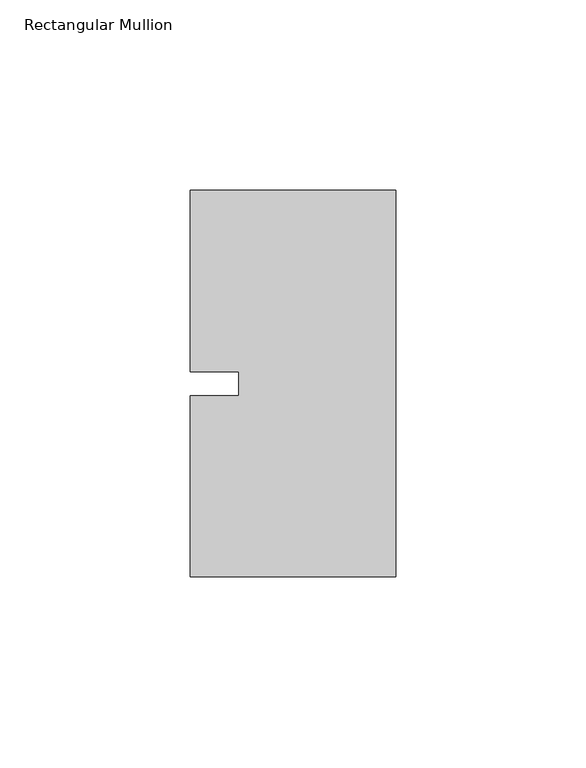
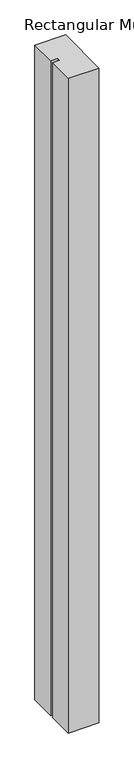
"""IFC4 building model written with IfcOpenShell, lengths in millimetres: member geometry, Rectangular Mullion."""

from ifc_helpers import new_model, si_unit, frame, origin, place, context, project, spatial, polyline, outline, extrude, source, transform, mapped, element, save


def rectangular_mullion_c34d3f10(model_context):
    return source(origin(), model_context, "Body", "SweptSolid", [
        extrude(outline(polyline([(-53.975, 50.8), (0.0, 50.8), (0.0, -50.8), (-53.975, -50.8), (-53.975, -3.175), (-41.2732296, -3.175), (-41.2732296, 3.175), (-53.975, 3.175), (-53.975, 50.8)])), frame((0.0, 0.0, -1219.2), z_axis=(0.0, 0.0, 1.0), x_axis=(1.0, 0.0, 0.0)), (0.0, 0.0, 1.0), 1219.2),
    ])


if __name__ == "__main__":
    model = new_model("IFC4")
    model_context = context("Model", 3, world=origin())
    ifc_project = project(units=[si_unit("LENGTHUNIT", "METRE", prefix="MILLI")], contexts=[model_context])
    site = spatial("IfcSite", under=ifc_project)
    building = spatial("IfcBuilding", under=site)
    placement = place(None, origin())
    rectangular_mullion_shape = rectangular_mullion_c34d3f10(model_context)
    element("IfcMember", 1, ObjectType="Rectangular Mullion", at=placement, inside=building, context=model_context, shape_type="MappedRepresentation", body=[
        mapped(rectangular_mullion_shape, transform((0.0, 0.0, 0.0), x_axis=(1.0, 0.0, 0.0), y_axis=(0.0, 1.0, 0.0), z_axis=(0.0, 0.0, 1.0))),
    ])
    save(model, "model.ifc")
